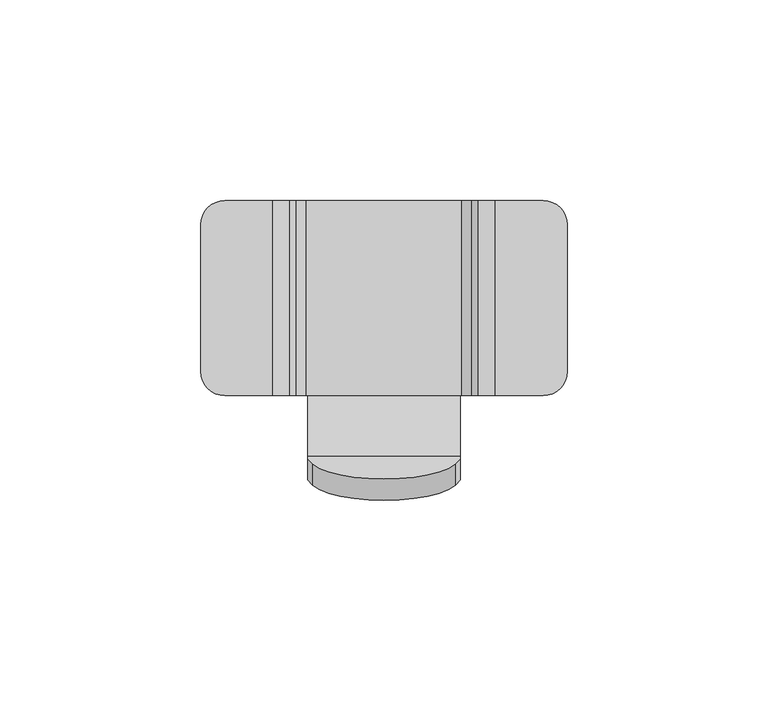
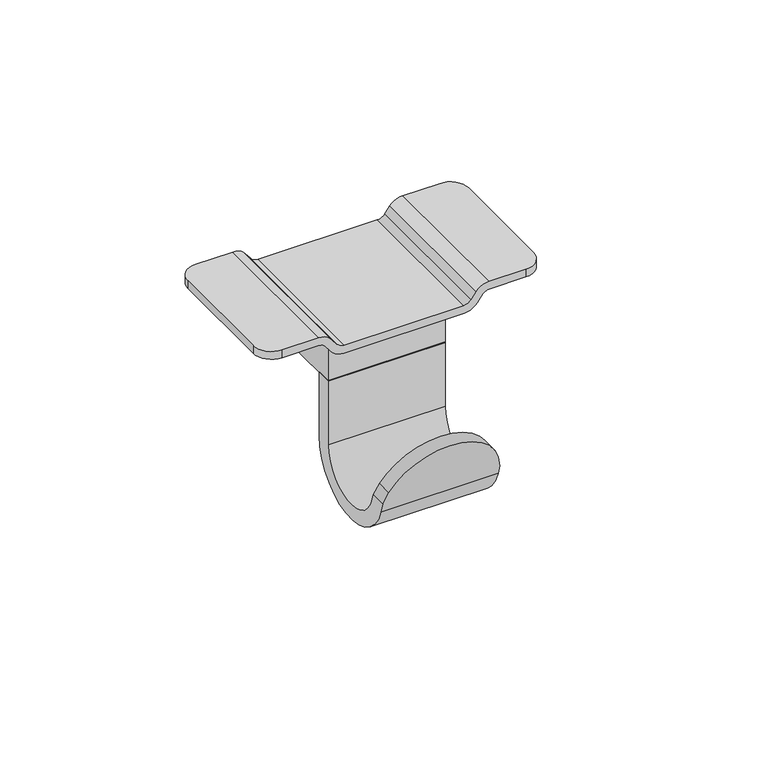
"""IFC4 building model written with IfcOpenShell, lengths in millimetres: furniture geometry."""

from ifc_helpers import new_model, si_unit, point, frame, frame_2d, origin, place, context, project, spatial, polyline, circle_curve, ellipse_curve, trimmed, segment, composite_curve, outline, extrude, source, transform, mapped, element, save
from ifc_brep_helpers import plane_surface, cylinder_surface, revolved_surface, advanced_brep


def furniture_09253092(model_context):
    return source(origin(), model_context, "Body", "SolidModel", [
        advanced_brep(
        [(48.7030249, 3.3728738, 622.7990046), (50.6405687, 3.3728738, 621.8389144), (52.4492677, 3.3728738, 619.4630578), (56.6954261, 3.3728738, 617.3590046), (95.9066714, 3.3728738, 617.3590046), (100.1528298, 3.3728738, 619.4630578), (101.9615288, 3.3728738, 621.8389144), (103.8990726, 3.3728738, 622.7990046), (115.9610485, 3.3728738, 622.7990046), (115.9610485, 3.3728738, 625.4490047), (103.9807351, 3.3728738, 625.4490047), (99.8035417, 3.3728738, 623.3791266), (98.150672, 3.3728738, 621.2079658), (95.7310646, 3.3728738, 620.0090047), (56.8710329, 3.3728738, 620.0090047), (54.4514255, 3.3728738, 621.2079658), (52.7985558, 3.3728738, 623.3791266), (48.6213624, 3.3728738, 625.4490047), (36.641049, 3.3728738, 625.4490047), (36.641049, 3.3728738, 622.7990046), (48.6213624, 52.0030994, 625.4490047), (52.7985558, 52.0030994, 623.3791266), (54.4514255, 52.0030994, 621.2079658), (56.8710329, 52.0030994, 620.0090047), (95.7310646, 52.0030994, 620.0090047), (98.150672, 52.0030994, 621.2079658), (99.8035417, 52.0030994, 623.3791266), (103.9807351, 52.0030994, 625.4490047), (115.9610485, 52.0030994, 625.4490047), (115.9610485, 52.0030994, 622.7990046), (103.8990726, 52.0030994, 622.7990046), (101.9615288, 52.0030994, 621.8389144), (100.1528298, 52.0030994, 619.4630578), (95.9066714, 52.0030994, 617.3590046), (56.6954261, 52.0030994, 617.3590046), (52.4492677, 52.0030994, 619.4630578), (50.6405687, 52.0030994, 621.8389144), (48.7030249, 52.0030994, 622.7990046), (36.641049, 52.0030994, 622.7990046), (36.641049, 52.0030994, 625.4490047), (30.6410496, 9.3728732, 625.4490047), (30.6410496, 46.0031, 625.4490047), (30.6410496, 46.0031, 622.7990046), (30.6410496, 9.3728732, 622.7990046), (121.9610479, 46.0031, 622.7990046), (121.9610479, 9.3728732, 622.7990046), (121.9610479, 46.0031, 625.4490047), (121.9610479, 9.3728732, 625.4490047)],
        [
            (0, 1, circle_curve(frame((48.7030249, 3.3728738, 620.3638954), z_axis=(0.0, 1.0, 0.0), x_axis=(1.0, 0.0, 0.0)), 2.4351093)),
            (1, 2),
            (2, 3, circle_curve(frame((56.6954261, 3.3728738, 622.6955857), z_axis=(0.0, -1.0, 0.0), x_axis=(1.0, 0.0, 0.0)), 5.3365811)),
            (3, 4),
            (4, 5, circle_curve(frame((95.9066714, 3.3728738, 622.6955857), z_axis=(0.0, -1.0, 0.0), x_axis=(-1.0, 0.0, 0.0)), 5.3365811)),
            (5, 6),
            (6, 7, circle_curve(frame((103.8990726, 3.3728738, 620.3638954), z_axis=(0.0, 1.0, 0.0), x_axis=(-1.0, 0.0, 0.0)), 2.4351093)),
            (7, 8),
            (8, 9),
            (9, 10),
            (10, 11, circle_curve(frame((103.9807351, 3.3728738, 620.1990965), z_axis=(0.0, -1.0, 0.0), x_axis=(-1.0, 0.0, 0.0)), 5.2499082)),
            (11, 12),
            (12, 13, circle_curve(frame((95.7310646, 3.3728738, 623.0499739), z_axis=(0.0, 1.0, 0.0), x_axis=(-1.0, 0.0, 0.0)), 3.0409692)),
            (13, 14),
            (14, 15, circle_curve(frame((56.8710329, 3.3728738, 623.0499739), z_axis=(0.0, 1.0, 0.0), x_axis=(1.0, 0.0, 0.0)), 3.0409692)),
            (15, 16),
            (16, 17, circle_curve(frame((48.6213624, 3.3728738, 620.1990965), z_axis=(0.0, -1.0, 0.0), x_axis=(1.0, 0.0, 0.0)), 5.2499082)),
            (17, 18),
            (18, 19),
            (19, 0),
            (20, 21, circle_curve(frame((48.6213624, 52.0030994, 620.1990965), z_axis=(0.0, 1.0, 0.0), x_axis=(1.0, 0.0, 0.0)), 5.2499082)),
            (21, 22),
            (22, 23, circle_curve(frame((56.8710329, 52.0030994, 623.0499739), z_axis=(0.0, -1.0, 0.0), x_axis=(1.0, 0.0, 0.0)), 3.0409692)),
            (23, 24),
            (24, 25, circle_curve(frame((95.7310646, 52.0030994, 623.0499739), z_axis=(0.0, -1.0, 0.0), x_axis=(-1.0, 0.0, 0.0)), 3.0409692)),
            (25, 26),
            (26, 27, circle_curve(frame((103.9807351, 52.0030994, 620.1990965), z_axis=(0.0, 1.0, 0.0), x_axis=(-1.0, 0.0, 0.0)), 5.2499082)),
            (27, 28),
            (28, 29),
            (29, 30),
            (30, 31, circle_curve(frame((103.8990726, 52.0030994, 620.3638954), z_axis=(0.0, -1.0, 0.0), x_axis=(-1.0, 0.0, 0.0)), 2.4351093)),
            (31, 32),
            (32, 33, circle_curve(frame((95.9066714, 52.0030994, 622.6955857), z_axis=(0.0, 1.0, 0.0), x_axis=(-1.0, 0.0, 0.0)), 5.3365811)),
            (33, 34),
            (34, 35, circle_curve(frame((56.6954261, 52.0030994, 622.6955857), z_axis=(0.0, 1.0, 0.0), x_axis=(1.0, 0.0, 0.0)), 5.3365811)),
            (35, 36),
            (36, 37, circle_curve(frame((48.7030249, 52.0030994, 620.3638954), z_axis=(0.0, -1.0, 0.0), x_axis=(1.0, 0.0, 0.0)), 2.4351093)),
            (37, 38),
            (38, 39),
            (39, 20),
            (40, 41),
            (41, 42),
            (42, 43),
            (43, 40),
            (37, 0),
            (19, 43, circle_curve(frame((36.641049, 9.3728732, 622.7990046), z_axis=(0.0, 0.0, -1.0), x_axis=(1.0, 0.0, 0.0)), 5.9999994)),
            (42, 38, circle_curve(frame((36.641049, 46.0031, 622.7990046), z_axis=(0.0, 0.0, -1.0), x_axis=(1.0, 0.0, 0.0)), 5.9999994)),
            (36, 1),
            (35, 2),
            (34, 3),
            (33, 4),
            (32, 5),
            (31, 6),
            (30, 7),
            (29, 44, circle_curve(frame((115.9610485, 46.0031, 622.7990046), z_axis=(0.0, 0.0, -1.0), x_axis=(-1.0, 0.0, 0.0)), 5.9999994)),
            (44, 45),
            (45, 8, circle_curve(frame((115.9610485, 9.3728732, 622.7990046), z_axis=(0.0, 0.0, -1.0), x_axis=(-1.0, 0.0, 0.0)), 5.9999994)),
            (44, 46),
            (46, 47),
            (47, 45),
            (27, 10),
            (9, 47, circle_curve(frame((115.9610485, 9.3728732, 625.4490047), z_axis=(0.0, 0.0, 1.0), x_axis=(-1.0, 0.0, 0.0)), 5.9999994)),
            (46, 28, circle_curve(frame((115.9610485, 46.0031, 625.4490047), z_axis=(0.0, 0.0, 1.0), x_axis=(-1.0, 0.0, 0.0)), 5.9999994)),
            (26, 11),
            (25, 12),
            (24, 13),
            (23, 14),
            (22, 15),
            (21, 16),
            (20, 17),
            (39, 41, circle_curve(frame((36.641049, 46.0031, 625.4490047), z_axis=(0.0, 0.0, 1.0), x_axis=(1.0, 0.0, 0.0)), 5.9999994)),
            (40, 18, circle_curve(frame((36.641049, 9.3728732, 625.4490047), z_axis=(0.0, 0.0, 1.0), x_axis=(1.0, 0.0, 0.0)), 5.9999994)),
        ],
        [
            plane_surface(frame((30.6410496, 3.3728738, 622.7990046), z_axis=(0.0, -1.0, 0.0), x_axis=(0.0, 0.0, -1.0))),
            plane_surface(frame((30.6410496, 52.0030994, 622.7990046), z_axis=(0.0, 1.0, 0.0), x_axis=(0.0, 0.0, 1.0))),
            plane_surface(frame((30.6410496, 3.3728738, 625.4490047), z_axis=(-1.0, 0.0, 0.0), x_axis=(0.0, 1.0, 0.0))),
            plane_surface(frame((30.6410496, 3.3728738, 622.7990046), z_axis=(0.0, 0.0, -1.0), x_axis=(0.0, 1.0, 0.0))),
            revolved_surface(polyline([(51.1381342, 52.0030994, 620.3638954), (51.1381342, 3.3728738000000007, 620.3638954)]), (48.7030249, 52.0030994, 620.3638954), (0.0, 1.0, 0.0)),
            plane_surface(frame((50.6405687, 3.3728738, 621.8389144), z_axis=(-0.7956701730314611, 0.0, -0.6057301179139805), x_axis=(0.0, 1.0, 0.0))),
            cylinder_surface(frame((56.6954261, 52.0030994, 622.6955857), z_axis=(0.0, -1.0, 0.0), x_axis=(1.0, 0.0, 0.0)), 5.3365811),
            plane_surface(frame((56.6954261, 3.3728738, 617.3590046), z_axis=(0.0, 0.0, -1.0), x_axis=(0.0, 1.0, 0.0))),
            cylinder_surface(frame((95.9066714, 52.0030994, 622.6955857), z_axis=(0.0, -1.0, 0.0), x_axis=(-1.0, 0.0, 0.0)), 5.3365811),
            plane_surface(frame((100.1528298, 3.3728738, 619.4630578), z_axis=(0.7956701730314657, 0.0, -0.6057301179139747), x_axis=(0.0, 1.0, 0.0))),
            revolved_surface(polyline([(101.4639633, 52.0030994, 620.3638954), (101.4639633, 3.3728738000000007, 620.3638954)]), (103.8990726, 52.0030994, 620.3638954), (0.0, 1.0, 0.0)),
            plane_surface(frame((103.8990726, 3.3728738, 622.7990046), z_axis=(0.0, 0.0, -1.0), x_axis=(0.0, 1.0, 0.0))),
            plane_surface(frame((121.9610479, 3.3728738, 622.7990046), z_axis=(1.0, 0.0, 0.0), x_axis=(0.0, 1.0, 0.0))),
            plane_surface(frame((121.9610479, 3.3728738, 625.4490047), z_axis=(0.0, 0.0, 1.0), x_axis=(0.0, 1.0, 0.0))),
            cylinder_surface(frame((103.9807351, 52.0030994, 620.1990965), z_axis=(0.0, -1.0, 0.0), x_axis=(-1.0, 0.0, 0.0)), 5.2499082),
            plane_surface(frame((99.8035417, 3.3728738, 623.3791266), z_axis=(-0.79566980228153, 0.0, 0.605730604920431), x_axis=(0.0, 1.0, 0.0))),
            revolved_surface(polyline([(92.69009539999999, 52.0030994, 623.0499739), (92.69009539999999, 3.3728738000000007, 623.0499739)]), (95.7310646, 52.0030994, 623.0499739), (0.0, 1.0, 0.0)),
            plane_surface(frame((95.7310646, 3.3728738, 620.0090047), z_axis=(0.0, 0.0, 1.0), x_axis=(0.0, 1.0, 0.0))),
            revolved_surface(polyline([(59.9120021, 52.0030994, 623.0499739), (59.9120021, 3.3728738000000007, 623.0499739)]), (56.8710329, 52.0030994, 623.0499739), (0.0, 1.0, 0.0)),
            plane_surface(frame((54.4514255, 3.3728738, 621.2079658), z_axis=(0.7956698022815265, 0.0, 0.6057306049204354), x_axis=(0.0, 1.0, 0.0))),
            cylinder_surface(frame((48.6213624, 52.0030994, 620.1990965), z_axis=(0.0, -1.0, 0.0), x_axis=(1.0, 0.0, 0.0)), 5.2499082),
            plane_surface(frame((48.6213624, 3.3728738, 625.4490047), z_axis=(0.0, 0.0, 1.0), x_axis=(0.0, 1.0, 0.0))),
            cylinder_surface(frame((36.641049, 9.3728732, 598.6028419), z_axis=(0.0, 0.0, -1.0), x_axis=(1.0, 0.0, 0.0)), 5.9999994),
            cylinder_surface(frame((115.9610485, 9.3728732, 659.3658926), z_axis=(0.0, 0.0, -1.0), x_axis=(-1.0, 0.0, 0.0)), 5.9999994),
            cylinder_surface(frame((36.641049, 46.0031, 659.3658926), z_axis=(0.0, 0.0, -1.0), x_axis=(1.0, 0.0, 0.0)), 5.9999994),
            cylinder_surface(frame((115.9610485, 46.0031, 659.3658926), z_axis=(0.0, 0.0, -1.0), x_axis=(-1.0, 0.0, 0.0)), 5.9999994),
        ],
        [
            (0, [[1, 2, 3, 4, 5, 6, 7, 8, 9, 10, 11, 12, 13, 14, 15, 16, 17, 18, 19, 20]]),
            (1, [[21, 22, 23, 24, 25, 26, 27, 28, 29, 30, 31, 32, 33, 34, 35, 36, 37, 38, 39, 40]]),
            (2, [[41, 42, 43, 44]]),
            (3, [[45, -20, 46, -43, 47, -38]]),
            (4, [[-1, -45, -37, 48]]),
            (5, [[-2, -48, -36, 49]]),
            (6, [[-3, -49, -35, 50]]),
            (7, [[-4, -50, -34, 51]]),
            (8, [[-5, -51, -33, 52]]),
            (9, [[-6, -52, -32, 53]]),
            (10, [[-7, -53, -31, 54]]),
            (11, [[-54, -30, 55, 56, 57, -8]]),
            (12, [[-56, 58, 59, 60]]),
            (13, [[61, -10, 62, -59, 63, -28]]),
            (14, [[-11, -61, -27, 64]]),
            (15, [[-12, -64, -26, 65]]),
            (16, [[-13, -65, -25, 66]]),
            (17, [[-14, -66, -24, 67]]),
            (18, [[-15, -67, -23, 68]]),
            (19, [[-16, -68, -22, 69]]),
            (20, [[-17, -69, -21, 70]]),
            (21, [[-70, -40, 71, -41, 72, -18]]),
            (22, [[-19, -72, -44, -46]]),
            (23, [[-9, -57, -60, -62]]),
            (24, [[-39, -47, -42, -71]]),
            (25, [[-29, -63, -58, -55]]),
        ],
    ),
        advanced_brep(
        [(57.2510487, 13.061339, 579.7272921), (57.2510487, 13.061339, 601.5712917), (57.2510487, 18.1413387, 601.5712917), (57.2510487, 18.1413387, 579.8087596), (57.2510487, -16.6666717, 574.6104678), (57.2510487, -17.6631571, 577.8723163), (57.2510487, -12.3513897, 577.8723163), (57.2510487, -11.7845242, 576.0167655), (95.3510487, 13.061339, 579.7272921), (95.3510487, -11.7845242, 576.0167655), (95.3510487, -12.3513897, 577.8723163), (95.3510487, -17.6631571, 577.8723163), (95.3510487, -16.6666717, 574.6104678), (95.3510487, 18.1413387, 579.8087596), (95.3510487, 18.1413387, 601.5712917), (95.3510487, 13.061339, 601.5712917), (58.5057211, -13.6770343, 582.2116189), (94.0963764, -13.6770343, 582.2116189), (94.0963764, -18.9888017, 582.2116189), (58.5057211, -18.9888017, 582.2116189)],
        [
            (0, 1),
            (1, 2),
            (2, 3),
            (3, 4, circle_curve(frame((57.2510487, 0.3491723, 579.8087596), z_axis=(-1.0, 0.0, 0.0), x_axis=(0.0, -1.0, 0.0)), 17.7921664)),
            (4, 5),
            (5, 6),
            (6, 7),
            (7, 0, circle_curve(frame((57.2510487, 0.361339, 579.7272921), z_axis=(1.0, 0.0, 0.0), x_axis=(0.0, -1.0, 0.0)), 12.7)),
            (8, 9, circle_curve(frame((95.3510487, 0.361339, 579.7272921), z_axis=(-1.0, 0.0, 0.0), x_axis=(0.0, -1.0, 0.0)), 12.7)),
            (9, 10),
            (10, 11),
            (11, 12),
            (12, 13, circle_curve(frame((95.3510487, 0.3491723, 579.8087596), z_axis=(1.0, 0.0, 0.0), x_axis=(0.0, -1.0, 0.0)), 17.7921664)),
            (13, 14),
            (14, 15),
            (15, 8),
            (0, 8),
            (15, 1),
            (14, 2),
            (13, 3),
            (9, 7),
            (6, 16, ellipse_curve(frame((83.8033837, -10.7242077, 572.5459752), z_axis=(0.0, 0.9563671794316492, 0.29216744874464007), x_axis=(0.0, 0.29216744874463974, -0.9563671794316492)), 28.3168359, 27.0812925)),
            (16, 17, ellipse_curve(frame((76.3010487, -11.5999049, 575.4124415), z_axis=(0.0, 0.9563671794316492, 0.29216744874464007), x_axis=(0.0, 0.29216744874463974, -0.9563671794316492)), 19.9191277, 19.05)),
            (17, 10, ellipse_curve(frame((68.7987138, -10.7242077, 572.5459752), z_axis=(0.0, 0.9563671794316492, 0.29216744874464007), x_axis=(0.0, 0.29216744874463974, -0.9563671794316492)), 28.3168359, 27.0812925)),
            (12, 4),
            (11, 18, ellipse_curve(frame((68.7987138, -16.0359751, 572.5459752), z_axis=(0.0, -0.9563671794316491, -0.2921674487446405), x_axis=(0.0, 0.29216744874464, -0.9563671794316491)), 28.3168359, 27.0812925)),
            (18, 19, ellipse_curve(frame((76.3010487, -16.9116723, 575.4124415), z_axis=(0.0, -0.9563671794316491, -0.2921674487446405), x_axis=(0.0, 0.29216744874464, -0.9563671794316491)), 19.9191277, 19.05)),
            (19, 5, ellipse_curve(frame((83.8033837, -16.0359751, 572.5459752), z_axis=(0.0, -0.9563671794316491, -0.2921674487446405), x_axis=(0.0, 0.29216744874464, -0.9563671794316491)), 28.3168359, 27.0812925)),
            (16, 19),
            (18, 17),
        ],
        [
            plane_surface(frame((57.2510487, 13.061339, 601.5712917), z_axis=(-1.0, 0.0, 0.0), x_axis=(0.0, 0.0, 1.0))),
            plane_surface(frame((95.3510487, 13.061339, 601.5712917), z_axis=(1.0, 0.0, 0.0), x_axis=(0.0, 0.0, -1.0))),
            plane_surface(frame((57.2510487, 13.061339, 579.7272921), z_axis=(0.0, -1.0, 0.0), x_axis=(1.0, 0.0, 0.0))),
            plane_surface(frame((57.2510487, 13.061339, 601.5712917), z_axis=(0.0, 0.0, 1.0), x_axis=(1.0, 0.0, 0.0))),
            plane_surface(frame((57.2510487, 18.1413387, 601.5712917), z_axis=(0.0, 1.0, 0.0), x_axis=(1.0, 0.0, 0.0))),
            plane_surface(frame((57.2510487, -17.5421228, 594.8634179), z_axis=(0.0, 0.9563671794316492, 0.29216744874464007), x_axis=(1.0, 0.0, 0.0))),
            revolved_surface(polyline([(95.3510487, -12.338661, 579.7272921), (57.2510487, -12.338661, 579.7272921)]), (95.3510487, 0.361339, 579.7272921), (1.0, 0.0, 0.0)),
            cylinder_surface(frame((95.3510487, 0.3491723, 579.8087596), z_axis=(-1.0, 0.0, 0.0), x_axis=(0.0, -1.0, 0.0)), 17.7921664),
            plane_surface(frame((57.2510487, -16.6666717, 574.6104678), z_axis=(0.0, -0.9563671794316491, -0.2921674487446405), x_axis=(1.0, 0.0, 0.0))),
            cylinder_surface(frame((76.3010487, -1.6e-06, 575.4124415), z_axis=(0.0, 1.0, 0.0), x_axis=(1.0, 0.0, 0.0)), 19.05),
            cylinder_surface(frame((68.7987138, -1.6e-06, 572.5459752), z_axis=(0.0, 1.0, 0.0), x_axis=(-1.0, 0.0, 0.0)), 27.0812925),
            cylinder_surface(frame((83.8033837, -1.6e-06, 572.5459752), z_axis=(0.0, 1.0, 0.0), x_axis=(1.0, 0.0, 0.0)), 27.0812925),
        ],
        [
            (0, [[1, 2, 3, 4, 5, 6, 7, 8]]),
            (1, [[9, 10, 11, 12, 13, 14, 15, 16]]),
            (2, [[-1, 17, -16, 18]]),
            (3, [[-2, -18, -15, 19]]),
            (4, [[-3, -19, -14, 20]]),
            (5, [[21, -7, 22, 23, 24, -10]]),
            (6, [[-8, -21, -9, -17]]),
            (7, [[-4, -20, -13, 25]]),
            (8, [[-25, -12, 26, 27, 28, -5]]),
            (9, [[29, -27, 30, -23]]),
            (10, [[-30, -26, -11, -24]]),
            (11, [[-29, -22, -6, -28]]),
        ],
    ),
        extrude(outline(composite_curve([segment(polyline([(95.3510487, 13.061339), (57.2510487, 13.061339), (57.2510487, 31.3493386)]), True, "CONTINUOUS"), segment(trimmed(circle_curve(frame_2d((76.3010487, 31.3493386)), 19.05), [point((57.2510487, 31.3493386))], [point((95.3510487, 31.3493386))], False, "CARTESIAN"), True, "CONTINUOUS"), segment(polyline([(95.3510487, 31.3493386), (95.3510487, 13.061339)]), True, "CONTINUOUS")], self_intersect=False)), frame((0.0, 0.0, 601.5712917), z_axis=(0.0, 0.0, 1.0), x_axis=(1.0, 0.0, 0.0)), (0.0, 0.0, 1.0), 15.7479986),
    ])


if __name__ == "__main__":
    model = new_model("IFC4")
    model_context = context("Model", 3, world=origin())
    ifc_project = project(units=[si_unit("LENGTHUNIT", "METRE", prefix="MILLI")], contexts=[model_context])
    site = spatial("IfcSite", under=ifc_project)
    building = spatial("IfcBuilding", under=site)
    placement = place(None, origin())
    furniture_shape = furniture_09253092(model_context)
    element("IfcFurniture", 1, at=placement, inside=building, context=model_context, shape_type="MappedRepresentation", body=[
        mapped(furniture_shape, transform((0.0, 0.0, 0.0), x_axis=(1.0, 0.0, 0.0), y_axis=(0.0, 1.0, 0.0), z_axis=(0.0, 0.0, 1.0))),
    ])
    save(model, "model.ifc")
